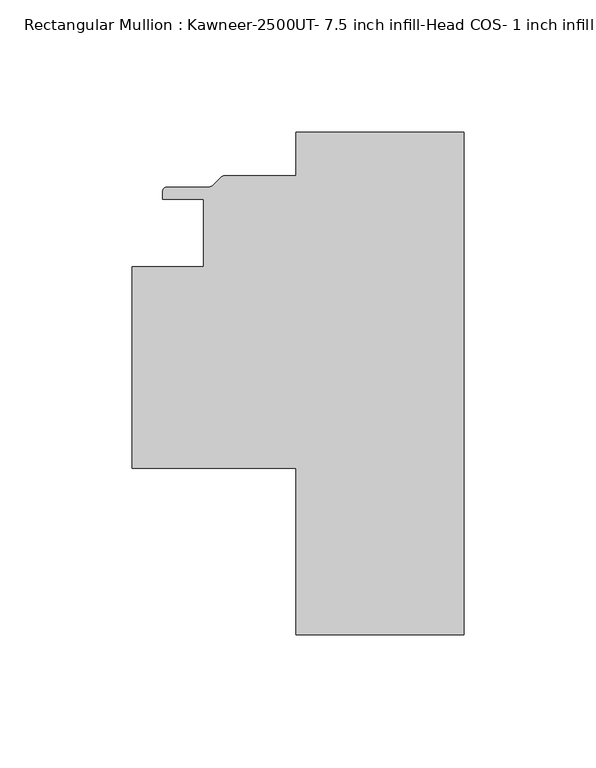
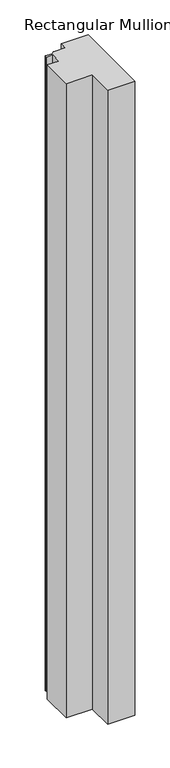
"""IFC4 building model written with IfcOpenShell, lengths in millimetres: member geometry, Rectangular Mullion : Kawneer-2500UT- 7.5 inch infill-Head COS- 1 inch infill."""

from ifc_helpers import new_model, si_unit, point, frame, frame_2d, origin, place, context, project, spatial, polyline, circle_curve, trimmed, segment, composite_curve, outline, extrude, source, transform, mapped, element, save


def rectangular_mullion_kawneer_2500ut_7_5_inch_infill_head_cos_f3f41852(model_context):
    return source(origin(), model_context, "Body", "SweptSolid", [
        extrude(outline(composite_curve([segment(polyline([(0.0, -189.992), (-63.5, -189.992), (-63.5, -127.0007939), (-125.4087917, -127.0007939), (-125.4087917, -50.800794), (-98.4212917, -50.800794), (-98.4212917, -25.400794), (-113.9224413, -25.400794), (-113.9224413, -22.4797939)]), True, "CONTINUOUS"), segment(trimmed(circle_curve(frame_2d((-112.1444413, -22.4797939)), 1.778), [point((-113.9224413, -22.4797939))], [point((-112.1444413, -20.7017939))], False, "CARTESIAN"), True, "CONTINUOUS"), segment(polyline([(-112.1444413, -20.7017939), (-96.2764052, -20.7017939)]), True, "CONTINUOUS"), segment(trimmed(circle_curve(frame_2d((-96.2764052, -18.9237939)), 1.778), [point((-96.2764052, -20.7017939))], [point((-95.0191693, -20.1810297))], True, "CARTESIAN"), True, "CONTINUOUS"), segment(polyline([(-95.0191693, -20.1810297), (-91.7934976, -16.955358)]), True, "CONTINUOUS"), segment(trimmed(circle_curve(frame_2d((-90.5362618, -18.2125939)), 1.778), [point((-91.7934976, -16.955358))], [point((-90.5362618, -16.4345939))], False, "CARTESIAN"), True, "CONTINUOUS"), segment(polyline([(-90.5362618, -16.4345939), (-63.5, -16.4345939), (-63.5, 0.0), (0.0, 0.0), (0.0, -189.992)]), True, "CONTINUOUS")], self_intersect=False)), frame((0.0, 0.0, -1577.9824167), z_axis=(0.0, 0.0, 1.0), x_axis=(1.0, 0.0, 0.0)), (0.0, 0.0, 1.0), 1577.9824167),
    ])


if __name__ == "__main__":
    model = new_model("IFC4")
    model_context = context("Model", 3, world=origin())
    ifc_project = project(units=[si_unit("LENGTHUNIT", "METRE", prefix="MILLI")], contexts=[model_context])
    site = spatial("IfcSite", under=ifc_project)
    building = spatial("IfcBuilding", under=site)
    placement = place(None, origin())
    rectangular_mullion_kawneer_2500ut_7_5_inch_infill_head_cos_shape = rectangular_mullion_kawneer_2500ut_7_5_inch_infill_head_cos_f3f41852(model_context)
    element("IfcMember", 1, ObjectType="Rectangular Mullion : Kawneer-2500UT- 7.5 inch infill-Head COS- 1 inch infill", at=placement, inside=building, context=model_context, shape_type="MappedRepresentation", body=[
        mapped(rectangular_mullion_kawneer_2500ut_7_5_inch_infill_head_cos_shape, transform((0.0, 0.0, 0.0), x_axis=(1.0, 0.0, 0.0), y_axis=(0.0, 1.0, 0.0), z_axis=(0.0, 0.0, 1.0))),
    ])
    save(model, "model.ifc")
